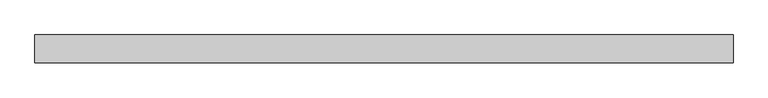
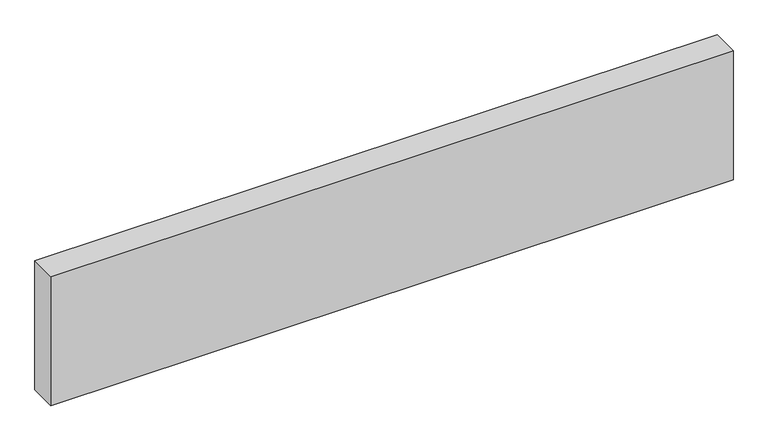
"""IFC4 building model written with IfcOpenShell, lengths in millimetres: proxy geometry."""

from ifc_helpers import new_model, si_unit, origin, origin_with_axes, place, context, project, spatial, polyline, outline, extrude, source, transform, mapped, element, save


def generic_models_c93c6c62(model_context):
    return source(origin(), model_context, "Body", "SweptSolid", [
        extrude(outline(polyline([(2500.0, 100.0), (2500.0, 0.0), (0.0, 0.0), (0.0, 100.0), (2500.0, 100.0)])), origin_with_axes(), (0.0, 0.0, 1.0), 500.0),
    ])


if __name__ == "__main__":
    model = new_model("IFC4")
    model_context = context("Model", 3, world=origin())
    ifc_project = project(units=[si_unit("LENGTHUNIT", "METRE", prefix="MILLI")], contexts=[model_context])
    site = spatial("IfcSite", under=ifc_project)
    building = spatial("IfcBuilding", under=site)
    placement = place(None, origin())
    generic_models_shape = generic_models_c93c6c62(model_context)
    element("IfcBuildingElementProxy", 1, Name="Generic Models", at=placement, inside=building, context=model_context, shape_type="MappedRepresentation", body=[
        mapped(generic_models_shape, transform((0.0, 0.0, 0.0), x_axis=(1.0, 0.0, 0.0), y_axis=(0.0, 1.0, 0.0), z_axis=(0.0, 0.0, 1.0))),
    ])
    save(model, "model.ifc")
